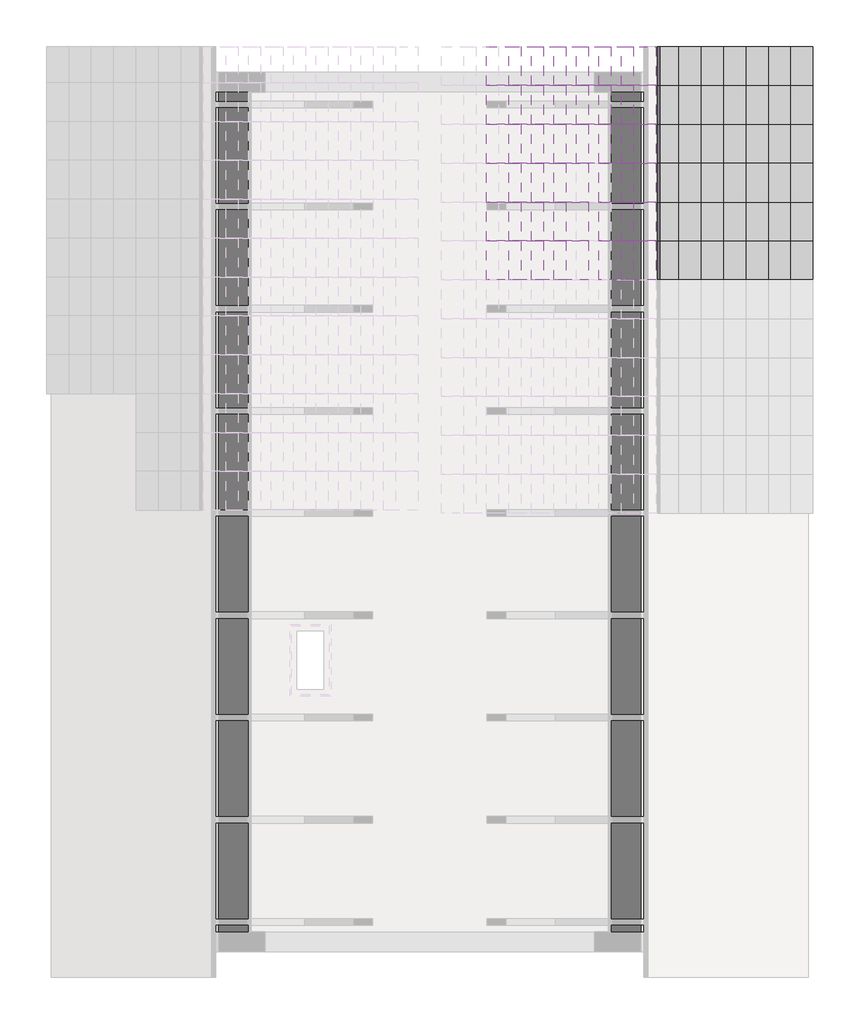
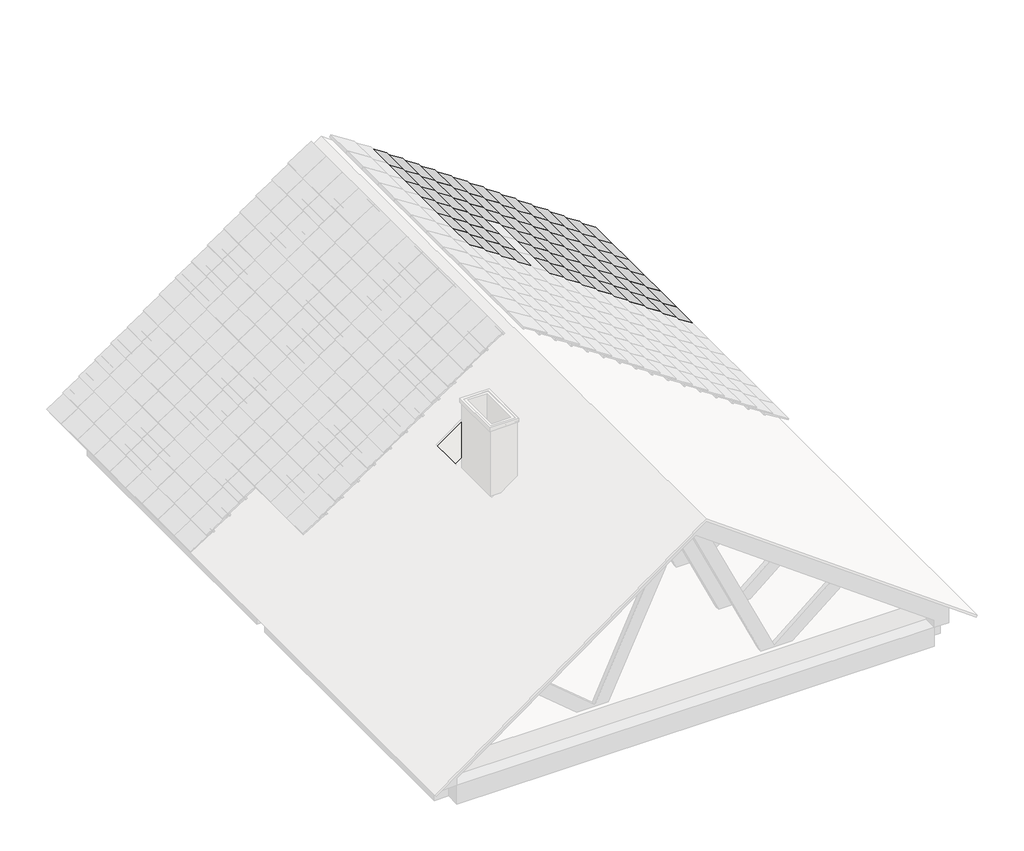
# One storey, part 6 of 9: 81 plates, 1 roof.
"""IFC4 building model written with IfcOpenShell, lengths in millimetres."""

import ifcopenshell
import ifcopenshell.guid

model = None  # the IFC model being written
_history = None  # IfcOwnerHistory: only IFC2X3 demands one
_inside = {}  # id of a spatial element -> (the spatial element, [elements in it])
_under = {}  # id of a project, library or spatial element -> (it, [spatial elements below it])
_declared = {}  # id of a project -> (the project, [libraries it declares])
_typed = {}  # id of a type object -> (the type object, [elements of that type])
_made_of = {}  # id of a material, layer set ... -> (it, [elements and type objects made of it])


def new_model(schema):
    """Start an empty IFC model of exactly this schema.

    Asked for "IFC4X3", IfcOpenShell would pick the latest addendum, in which some entities
    have other attributes; the version numbers below select the first issue.
    IFC2X3 requires an IfcOwnerHistory on every rooted entity: one is made here for all.
    """
    global model, _history
    if schema == "IFC4X3":
        model = ifcopenshell.file(schema_version=(4, 3, 0, 0))
    else:
        model = ifcopenshell.file(schema=schema)
    _inside.clear()
    _under.clear()
    _declared.clear()
    _typed.clear()
    _made_of.clear()
    _history = None
    if model.schema == "IFC2X3":
        org = make("IfcOrganization", Name="unknown")
        user = make(
            "IfcPersonAndOrganization",
            ThePerson=make("IfcPerson", FamilyName="unknown"),
            TheOrganization=org,
        )
        app = make(
            "IfcApplication",
            ApplicationDeveloper=org,
            Version="unknown",
            ApplicationFullName="unknown",
            ApplicationIdentifier="unknown",
        )
        _history = make(
            "IfcOwnerHistory",
            OwningUser=user,
            OwningApplication=app,
            ChangeAction="ADDED",
            CreationDate=0,
        )
    return model


def make(cls, **values):
    """One entity of the class cls with the attributes given. An attribute that is None is left unset."""
    return model.create_entity(
        cls, **{name: value for name, value in values.items() if value is not None}
    )


def rooted(cls, **values):
    """An entity with a GlobalId (a new one), such as an element, a storey or a relation."""
    return make(cls, GlobalId=ifcopenshell.guid.new(), OwnerHistory=_history, **values)


def si_unit(unit_type, name, prefix=None):
    """IfcSIUnit, for example si_unit("LENGTHUNIT", "METRE", prefix="MILLI")."""
    return make("IfcSIUnit", UnitType=unit_type, Prefix=prefix, Name=name)


def assignment(units):
    """IfcUnitAssignment: the units of a project."""
    return None if units is None else make("IfcUnitAssignment", Units=units)


def point(xyz):
    """IfcCartesianPoint."""
    return None if xyz is None else make("IfcCartesianPoint", Coordinates=xyz)


def direction(xyz):
    """IfcDirection."""
    return None if xyz is None else make("IfcDirection", DirectionRatios=xyz)


def frame(location, z_axis=None, x_axis=None):
    """IfcAxis2Placement3D, a coordinate frame: its origin and axes. An axis left out is left unset."""
    return make(
        "IfcAxis2Placement3D",
        Location=point(location),
        Axis=direction(z_axis),
        RefDirection=direction(x_axis),
    )


def origin():
    """The frame at (0, 0, 0) with its axes left unset."""
    return frame((0.0, 0.0, 0.0))


def place(relative_to, where):
    """IfcLocalPlacement: puts the frame where relative to a parent placement (None: the world)."""
    return make(
        "IfcLocalPlacement", PlacementRelTo=relative_to, RelativePlacement=where
    )


def context(
    kind, dimensions, precision=None, world=None, true_north=None, identifier=None
):
    """IfcGeometricRepresentationContext, for example the 3D "Model" context."""
    return make(
        "IfcGeometricRepresentationContext",
        ContextIdentifier=identifier,
        ContextType=kind,
        CoordinateSpaceDimension=dimensions,
        Precision=precision,
        WorldCoordinateSystem=world,
        TrueNorth=true_north,
    )


def project(units=None, contexts=None):
    """IfcProject with its units and contexts."""
    return rooted(
        "IfcProject",
        Name="project",
        RepresentationContexts=contexts,
        UnitsInContext=assignment(units),
    )


def spatial(cls, under=None, at=None, **own):
    """A site, building, storey or space (cls), placed at a placement, below another one or the project."""
    s = rooted(cls, ObjectPlacement=at, **own)
    if under is not None:
        _under.setdefault(under.id(), (under, []))[1].append(s)
    return s


def polyline(points):
    """IfcPolyline through the points."""
    return make("IfcPolyline", Points=[point(p) for p in points])


def outline(outer, holes=None, kind="AREA"):
    """IfcArbitraryClosedProfileDef: a profile drawn as a closed curve; with holes, ...WithVoids."""
    if holes is None:
        return make("IfcArbitraryClosedProfileDef", ProfileType=kind, OuterCurve=outer)
    return make(
        "IfcArbitraryProfileDefWithVoids",
        ProfileType=kind,
        OuterCurve=outer,
        InnerCurves=holes,
    )


def extrude(swept, where, along, depth):
    """IfcExtrudedAreaSolid: the profile swept, set in the frame where, extruded along a direction by depth."""
    return make(
        "IfcExtrudedAreaSolid",
        SweptArea=swept,
        Position=where,
        ExtrudedDirection=direction(along),
        Depth=depth,
    )


def faces_of(points, faces, orient=None, outer=None):
    """IfcFace entities. A face is a list of loops; a loop is a list of indices into points, from 0.

    orient and outer hold one flag for each loop. By default every Orientation is true, the
    first loop of a face is its IfcFaceOuterBound and the others are IfcFaceBound.
    """
    made = []
    for i, loops in enumerate(faces):
        bounds = []
        for j, loop in enumerate(loops):
            is_outer = j == 0 if outer is None else outer[i][j]
            bounds.append(
                make(
                    "IfcFaceOuterBound" if is_outer else "IfcFaceBound",
                    Bound=make("IfcPolyLoop", Polygon=[points[k] for k in loop]),
                    Orientation=True if orient is None else orient[i][j],
                )
            )
        made.append(make("IfcFace", Bounds=bounds))
    return made


def faceted_brep(points, faces, orient=None, outer=None, voids=None):
    """IfcFacetedBrep: a solid bounded by flat faces; with voids (closed shells), ...WithVoids."""
    shared = [point(p) for p in points]
    hull = make("IfcClosedShell", CfsFaces=faces_of(shared, faces, orient, outer))
    if voids is None:
        return make("IfcFacetedBrep", Outer=hull)
    return make(
        "IfcFacetedBrepWithVoids",
        Outer=hull,
        Voids=[
            make(cls, CfsFaces=faces_of(shared, fs, o, b)) for cls, fs, o, b in voids
        ],
    )


def shape(context_of_items, identifier, shape_type, items):
    """IfcShapeRepresentation: the items that make up one representation, for example the "Body"."""
    return make(
        "IfcShapeRepresentation",
        ContextOfItems=context_of_items,
        RepresentationIdentifier=identifier,
        RepresentationType=shape_type,
        Items=items,
    )


def source(mapping_origin, context_of_items, identifier, shape_type, items):
    """IfcRepresentationMap: a shape defined once, which mapped items show again and again."""
    return make(
        "IfcRepresentationMap",
        MappingOrigin=mapping_origin,
        MappedRepresentation=shape(context_of_items, identifier, shape_type, items),
    )


def transform(
    local_origin,
    x_axis=None,
    y_axis=None,
    z_axis=None,
    scale=None,
    scale2=None,
    scale3=None,
    uniform=True,
):
    """IfcCartesianTransformationOperator3D, or its non-uniform kind. x_axis, y_axis, z_axis: its Axis1, 2, 3."""
    if uniform:
        return make(
            "IfcCartesianTransformationOperator3D",
            Axis1=direction(x_axis),
            Axis2=direction(y_axis),
            LocalOrigin=point(local_origin),
            Scale=scale,
            Axis3=direction(z_axis),
        )
    return make(
        "IfcCartesianTransformationOperator3DnonUniform",
        Axis1=direction(x_axis),
        Axis2=direction(y_axis),
        LocalOrigin=point(local_origin),
        Scale=scale,
        Axis3=direction(z_axis),
        Scale2=scale2,
        Scale3=scale3,
    )


def mapped(mapping_source, mapping_target):
    """IfcMappedItem: shows the shape of a source again, moved by a transform."""
    return make(
        "IfcMappedItem", MappingSource=mapping_source, MappingTarget=mapping_target
    )


def made_of(thing, what):
    """Note that an element or type object is made of a material, layer set ...; save() writes the relation."""
    if what is not None:
        _made_of.setdefault(what.id(), (what, []))[1].append(thing)
    return thing


def element(
    cls,
    number,
    at=None,
    inside=None,
    cuts=None,
    type_object=None,
    material=None,
    context=None,
    identifier="Body",
    shape_type=None,
    held_by="IfcProductDefinitionShape",
    body=None,
    shapes=None,
    **own,
):
    """One element of the class cls, such as IfcWall. Its Tag is "e" and its number.

    at: its placement. inside: the storey or other place that contains it. cuts: it is an
    opening in that element (IfcRelVoidsElement). A single representation is given by context,
    identifier, shape_type and body (its items); several are given by shapes. held_by: the class
    of the entity that holds the representations. save() writes the other relations.
    """
    e = rooted(cls, Tag="e%d" % number, ObjectPlacement=at, **own)
    if body is not None:
        shapes = [shape(context, identifier, shape_type, body)]
    if shapes is not None:
        e.Representation = make(held_by, Representations=shapes)
    if inside is not None:
        _inside.setdefault(inside.id(), (inside, []))[1].append(e)
    if cuts is not None:
        rooted(
            "IfcRelVoidsElement", RelatingBuildingElement=cuts, RelatedOpeningElement=e
        )
    if type_object is not None:
        _typed.setdefault(type_object.id(), (type_object, []))[1].append(e)
    return made_of(e, material)


def aggregate(whole, parts):
    """IfcRelAggregates: a whole, such as a stair, and the parts it consists of."""
    return rooted("IfcRelAggregates", RelatingObject=whole, RelatedObjects=parts)


def save(model, path):
    """Write the relations noted so far, then the file.

    IfcRelAggregates (storeys below a building ...), IfcRelContainedInSpatialStructure (elements
    in a storey), IfcRelDefinesByType, IfcRelAssociatesMaterial and IfcRelDeclares: one each for
    every whole, place, type object, material and project.
    """
    for whole, parts in _under.values():
        aggregate(whole, parts)
    for where, things in _inside.values():
        rooted(
            "IfcRelContainedInSpatialStructure",
            RelatedElements=things,
            RelatingStructure=where,
        )
    for kind, things in _typed.values():
        rooted("IfcRelDefinesByType", RelatedObjects=things, RelatingType=kind)
    for what, things in _made_of.values():
        rooted("IfcRelAssociatesMaterial", RelatedObjects=things, RelatingMaterial=what)
    for by, libraries in _declared.values():
        rooted("IfcRelDeclares", RelatingContext=by, RelatedDefinitions=libraries)
    model.write(path)


def plate_44e98f8a(model_context):
    return source(origin(), model_context, "Body", "SweptSolid", [
        extrude(outline(polyline([(52.4025306, -97.3528102), (37.4334594, -98.3155697), (16.2527506, 231.0039976), (1.2836793, 230.0412381), (0.0, 250.0), (29.9381425, 251.925519), (52.4025306, -97.3528102)])), frame((-175.0000002, 0.0, 0.0), z_axis=(1.0, 0.0, 0.0), x_axis=(0.0, 1.0, 0.0)), (0.0, 0.0, 1.0), 350.0000003),
    ])


def plate_17751ebe(model_context):
    return source(origin(), model_context, "Body", "SweptSolid", [
        extrude(outline(polyline([(52.4025306, -222.3528102), (37.4334594, -223.3155697), (16.2527506, 106.0039976), (1.2836793, 105.0412381), (0.0, 125.0), (29.9381425, 126.925519), (52.4025306, -222.3528102)])), frame((-175.0000002, 0.0, 0.0), z_axis=(1.0, 0.0, 0.0), x_axis=(0.0, 1.0, 0.0)), (0.0, 0.0, 1.0), 350.0000003),
    ])


model = new_model("IFC4")

# Units and contexts
model_context = context("Model", 3, world=origin())
ifc_project = project(units=[si_unit("LENGTHUNIT", "METRE", prefix="MILLI")], contexts=[model_context])

# Site, building, storey
site = spatial("IfcSite", under=ifc_project)
building = spatial("IfcBuilding", under=site)
storey = spatial("IfcBuildingStorey", under=building, Elevation=5669.9999999)

# Plates
placement = place(None, origin())
plate_shape = plate_44e98f8a(model_context)
element("IfcPlate", 1, at=placement, inside=storey, context=model_context, shape_type="MappedRepresentation", body=[
    mapped(plate_shape, transform((2482.3217872, 3905.2847628, 6049.250816), x_axis=(0.0, -1.0, 0.0), y_axis=(0.5877852522924699, 0.0, 0.8090169943749498), z_axis=(-0.8090169943749498, 0.0, 0.5877852522924699))),
])
element("IfcPlate", 2, at=placement, inside=storey, context=model_context, shape_type="MappedRepresentation", body=[
    mapped(plate_shape, transform((2482.3217872, 3555.2847627, 6049.250816), x_axis=(0.0, -1.0, 0.0), y_axis=(0.5877852522924699, 0.0, 0.8090169943749498), z_axis=(-0.8090169943749498, 0.0, 0.5877852522924699))),
])
element("IfcPlate", 3, at=placement, inside=storey, context=model_context, shape_type="MappedRepresentation", body=[
    mapped(plate_shape, transform((2482.3217872, 3205.2847627, 6049.250816), x_axis=(0.0, -1.0, 0.0), y_axis=(0.5877852522924699, 0.0, 0.8090169943749498), z_axis=(-0.8090169943749498, 0.0, 0.5877852522924699))),
])
element("IfcPlate", 4, at=placement, inside=storey, context=model_context, shape_type="MappedRepresentation", body=[
    mapped(plate_shape, transform((2482.3217872, 2855.2847627, 6049.250816), x_axis=(0.0, -1.0, 0.0), y_axis=(0.5877852522924699, 0.0, 0.8090169943749498), z_axis=(-0.8090169943749498, 0.0, 0.5877852522924699))),
])
element("IfcPlate", 5, at=placement, inside=storey, context=model_context, shape_type="MappedRepresentation", body=[
    mapped(plate_shape, transform((2482.3217872, 2505.2847627, 6049.250816), x_axis=(0.0, -1.0, 0.0), y_axis=(0.5877852522924699, 0.0, 0.8090169943749498), z_axis=(-0.8090169943749498, 0.0, 0.5877852522924699))),
])
element("IfcPlate", 6, at=placement, inside=storey, context=model_context, shape_type="MappedRepresentation", body=[
    mapped(plate_shape, transform((2482.3217872, 2155.2847627, 6049.250816), x_axis=(0.0, -1.0, 0.0), y_axis=(0.5877852522924699, 0.0, 0.8090169943749498), z_axis=(-0.8090169943749498, 0.0, 0.5877852522924699))),
])
element("IfcPlate", 7, at=placement, inside=storey, context=model_context, shape_type="MappedRepresentation", body=[
    mapped(plate_shape, transform((2280.0675386, 3905.2847628, 6196.1971291), x_axis=(0.0, -1.0, 0.0), y_axis=(0.5877852522924699, 0.0, 0.8090169943749498), z_axis=(-0.8090169943749498, 0.0, 0.5877852522924699))),
])
element("IfcPlate", 8, at=placement, inside=storey, context=model_context, shape_type="MappedRepresentation", body=[
    mapped(plate_shape, transform((2280.0675386, 3555.2847627, 6196.1971291), x_axis=(0.0, -1.0, 0.0), y_axis=(0.5877852522924699, 0.0, 0.8090169943749498), z_axis=(-0.8090169943749498, 0.0, 0.5877852522924699))),
])
element("IfcPlate", 9, at=placement, inside=storey, context=model_context, shape_type="MappedRepresentation", body=[
    mapped(plate_shape, transform((2280.0675386, 3205.2847627, 6196.1971291), x_axis=(0.0, -1.0, 0.0), y_axis=(0.5877852522924699, 0.0, 0.8090169943749498), z_axis=(-0.8090169943749498, 0.0, 0.5877852522924699))),
])
element("IfcPlate", 10, at=placement, inside=storey, context=model_context, shape_type="MappedRepresentation", body=[
    mapped(plate_shape, transform((2280.0675386, 2855.2847627, 6196.1971291), x_axis=(0.0, -1.0, 0.0), y_axis=(0.5877852522924699, 0.0, 0.8090169943749498), z_axis=(-0.8090169943749498, 0.0, 0.5877852522924699))),
])
element("IfcPlate", 11, at=placement, inside=storey, context=model_context, shape_type="MappedRepresentation", body=[
    mapped(plate_shape, transform((2280.0675386, 2505.2847627, 6196.1971291), x_axis=(0.0, -1.0, 0.0), y_axis=(0.5877852522924699, 0.0, 0.8090169943749498), z_axis=(-0.8090169943749498, 0.0, 0.5877852522924699))),
])
element("IfcPlate", 12, at=placement, inside=storey, context=model_context, shape_type="MappedRepresentation", body=[
    mapped(plate_shape, transform((2280.0675386, 2155.2847627, 6196.1971291), x_axis=(0.0, -1.0, 0.0), y_axis=(0.5877852522924699, 0.0, 0.8090169943749498), z_axis=(-0.8090169943749498, 0.0, 0.5877852522924699))),
])
element("IfcPlate", 13, at=placement, inside=storey, context=model_context, shape_type="MappedRepresentation", body=[
    mapped(plate_shape, transform((2077.81329, 3905.2847628, 6343.1434422), x_axis=(0.0, -1.0, 0.0), y_axis=(0.5877852522924699, 0.0, 0.8090169943749498), z_axis=(-0.8090169943749498, 0.0, 0.5877852522924699))),
])
element("IfcPlate", 14, at=placement, inside=storey, context=model_context, shape_type="MappedRepresentation", body=[
    mapped(plate_shape, transform((2077.81329, 3555.2847627, 6343.1434422), x_axis=(0.0, -1.0, 0.0), y_axis=(0.5877852522924699, 0.0, 0.8090169943749498), z_axis=(-0.8090169943749498, 0.0, 0.5877852522924699))),
])
element("IfcPlate", 15, at=placement, inside=storey, context=model_context, shape_type="MappedRepresentation", body=[
    mapped(plate_shape, transform((2077.81329, 3205.2847627, 6343.1434422), x_axis=(0.0, -1.0, 0.0), y_axis=(0.5877852522924699, 0.0, 0.8090169943749498), z_axis=(-0.8090169943749498, 0.0, 0.5877852522924699))),
])
element("IfcPlate", 16, at=placement, inside=storey, context=model_context, shape_type="MappedRepresentation", body=[
    mapped(plate_shape, transform((2077.81329, 2855.2847627, 6343.1434422), x_axis=(0.0, -1.0, 0.0), y_axis=(0.5877852522924699, 0.0, 0.8090169943749498), z_axis=(-0.8090169943749498, 0.0, 0.5877852522924699))),
])
element("IfcPlate", 17, at=placement, inside=storey, context=model_context, shape_type="MappedRepresentation", body=[
    mapped(plate_shape, transform((2077.81329, 2505.2847627, 6343.1434422), x_axis=(0.0, -1.0, 0.0), y_axis=(0.5877852522924699, 0.0, 0.8090169943749498), z_axis=(-0.8090169943749498, 0.0, 0.5877852522924699))),
])
element("IfcPlate", 18, at=placement, inside=storey, context=model_context, shape_type="MappedRepresentation", body=[
    mapped(plate_shape, transform((2077.81329, 2155.2847627, 6343.1434422), x_axis=(0.0, -1.0, 0.0), y_axis=(0.5877852522924699, 0.0, 0.8090169943749498), z_axis=(-0.8090169943749498, 0.0, 0.5877852522924699))),
])
element("IfcPlate", 19, at=placement, inside=storey, context=model_context, shape_type="MappedRepresentation", body=[
    mapped(plate_shape, transform((1875.5590414, 3905.2847628, 6490.0897552), x_axis=(0.0, -1.0, 0.0), y_axis=(0.5877852522924699, 0.0, 0.8090169943749498), z_axis=(-0.8090169943749498, 0.0, 0.5877852522924699))),
])
element("IfcPlate", 20, at=placement, inside=storey, context=model_context, shape_type="MappedRepresentation", body=[
    mapped(plate_shape, transform((1875.5590414, 3555.2847627, 6490.0897552), x_axis=(0.0, -1.0, 0.0), y_axis=(0.5877852522924699, 0.0, 0.8090169943749498), z_axis=(-0.8090169943749498, 0.0, 0.5877852522924699))),
])
element("IfcPlate", 21, at=placement, inside=storey, context=model_context, shape_type="MappedRepresentation", body=[
    mapped(plate_shape, transform((1875.5590414, 3205.2847627, 6490.0897552), x_axis=(0.0, -1.0, 0.0), y_axis=(0.5877852522924699, 0.0, 0.8090169943749498), z_axis=(-0.8090169943749498, 0.0, 0.5877852522924699))),
])
element("IfcPlate", 22, at=placement, inside=storey, context=model_context, shape_type="MappedRepresentation", body=[
    mapped(plate_shape, transform((1875.5590414, 2855.2847627, 6490.0897552), x_axis=(0.0, -1.0, 0.0), y_axis=(0.5877852522924699, 0.0, 0.8090169943749498), z_axis=(-0.8090169943749498, 0.0, 0.5877852522924699))),
])
element("IfcPlate", 23, at=placement, inside=storey, context=model_context, shape_type="MappedRepresentation", body=[
    mapped(plate_shape, transform((1875.5590414, 2505.2847627, 6490.0897552), x_axis=(0.0, -1.0, 0.0), y_axis=(0.5877852522924699, 0.0, 0.8090169943749498), z_axis=(-0.8090169943749498, 0.0, 0.5877852522924699))),
])
element("IfcPlate", 24, at=placement, inside=storey, context=model_context, shape_type="MappedRepresentation", body=[
    mapped(plate_shape, transform((1875.5590414, 2155.2847627, 6490.0897552), x_axis=(0.0, -1.0, 0.0), y_axis=(0.5877852522924699, 0.0, 0.8090169943749498), z_axis=(-0.8090169943749498, 0.0, 0.5877852522924699))),
])
element("IfcPlate", 25, at=placement, inside=storey, context=model_context, shape_type="MappedRepresentation", body=[
    mapped(plate_shape, transform((1673.3047928, 3905.2847628, 6637.0360683), x_axis=(0.0, -1.0, 0.0), y_axis=(0.5877852522924699, 0.0, 0.8090169943749498), z_axis=(-0.8090169943749498, 0.0, 0.5877852522924699))),
])
element("IfcPlate", 26, at=placement, inside=storey, context=model_context, shape_type="MappedRepresentation", body=[
    mapped(plate_shape, transform((1673.3047928, 3555.2847627, 6637.0360683), x_axis=(0.0, -1.0, 0.0), y_axis=(0.5877852522924699, 0.0, 0.8090169943749498), z_axis=(-0.8090169943749498, 0.0, 0.5877852522924699))),
])
element("IfcPlate", 27, at=placement, inside=storey, context=model_context, shape_type="MappedRepresentation", body=[
    mapped(plate_shape, transform((1673.3047928, 3205.2847627, 6637.0360683), x_axis=(0.0, -1.0, 0.0), y_axis=(0.5877852522924699, 0.0, 0.8090169943749498), z_axis=(-0.8090169943749498, 0.0, 0.5877852522924699))),
])
element("IfcPlate", 28, at=placement, inside=storey, context=model_context, shape_type="MappedRepresentation", body=[
    mapped(plate_shape, transform((1673.3047928, 2855.2847627, 6637.0360683), x_axis=(0.0, -1.0, 0.0), y_axis=(0.5877852522924699, 0.0, 0.8090169943749498), z_axis=(-0.8090169943749498, 0.0, 0.5877852522924699))),
])
element("IfcPlate", 29, at=placement, inside=storey, context=model_context, shape_type="MappedRepresentation", body=[
    mapped(plate_shape, transform((1673.3047928, 2505.2847627, 6637.0360683), x_axis=(0.0, -1.0, 0.0), y_axis=(0.5877852522924699, 0.0, 0.8090169943749498), z_axis=(-0.8090169943749498, 0.0, 0.5877852522924699))),
])
element("IfcPlate", 30, at=placement, inside=storey, context=model_context, shape_type="MappedRepresentation", body=[
    mapped(plate_shape, transform((1673.3047928, 2155.2847627, 6637.0360683), x_axis=(0.0, -1.0, 0.0), y_axis=(0.5877852522924699, 0.0, 0.8090169943749498), z_axis=(-0.8090169943749498, 0.0, 0.5877852522924699))),
])
element("IfcPlate", 31, at=placement, inside=storey, context=model_context, shape_type="MappedRepresentation", body=[
    mapped(plate_shape, transform((1471.0505442, 3905.2847628, 6783.9823814), x_axis=(0.0, -1.0, 0.0), y_axis=(0.5877852522924699, 0.0, 0.8090169943749498), z_axis=(-0.8090169943749498, 0.0, 0.5877852522924699))),
])
element("IfcPlate", 32, at=placement, inside=storey, context=model_context, shape_type="MappedRepresentation", body=[
    mapped(plate_shape, transform((1471.0505442, 3555.2847627, 6783.9823814), x_axis=(0.0, -1.0, 0.0), y_axis=(0.5877852522924699, 0.0, 0.8090169943749498), z_axis=(-0.8090169943749498, 0.0, 0.5877852522924699))),
])
element("IfcPlate", 33, at=placement, inside=storey, context=model_context, shape_type="MappedRepresentation", body=[
    mapped(plate_shape, transform((1471.0505442, 3205.2847627, 6783.9823814), x_axis=(0.0, -1.0, 0.0), y_axis=(0.5877852522924699, 0.0, 0.8090169943749498), z_axis=(-0.8090169943749498, 0.0, 0.5877852522924699))),
])
element("IfcPlate", 34, at=placement, inside=storey, context=model_context, shape_type="MappedRepresentation", body=[
    mapped(plate_shape, transform((1471.0505442, 2855.2847627, 6783.9823814), x_axis=(0.0, -1.0, 0.0), y_axis=(0.5877852522924699, 0.0, 0.8090169943749498), z_axis=(-0.8090169943749498, 0.0, 0.5877852522924699))),
])
element("IfcPlate", 35, at=placement, inside=storey, context=model_context, shape_type="MappedRepresentation", body=[
    mapped(plate_shape, transform((1471.0505442, 2505.2847627, 6783.9823814), x_axis=(0.0, -1.0, 0.0), y_axis=(0.5877852522924699, 0.0, 0.8090169943749498), z_axis=(-0.8090169943749498, 0.0, 0.5877852522924699))),
])
element("IfcPlate", 36, at=placement, inside=storey, context=model_context, shape_type="MappedRepresentation", body=[
    mapped(plate_shape, transform((1471.0505442, 2155.2847627, 6783.9823814), x_axis=(0.0, -1.0, 0.0), y_axis=(0.5877852522924699, 0.0, 0.8090169943749498), z_axis=(-0.8090169943749498, 0.0, 0.5877852522924699))),
])
element("IfcPlate", 37, at=placement, inside=storey, context=model_context, shape_type="MappedRepresentation", body=[
    mapped(plate_shape, transform((1268.7962956, 3905.2847628, 6930.9286944), x_axis=(0.0, -1.0, 0.0), y_axis=(0.5877852522924699, 0.0, 0.8090169943749498), z_axis=(-0.8090169943749498, 0.0, 0.5877852522924699))),
])
element("IfcPlate", 38, at=placement, inside=storey, context=model_context, shape_type="MappedRepresentation", body=[
    mapped(plate_shape, transform((1268.7962956, 3555.2847627, 6930.9286944), x_axis=(0.0, -1.0, 0.0), y_axis=(0.5877852522924699, 0.0, 0.8090169943749498), z_axis=(-0.8090169943749498, 0.0, 0.5877852522924699))),
])
element("IfcPlate", 39, at=placement, inside=storey, context=model_context, shape_type="MappedRepresentation", body=[
    mapped(plate_shape, transform((1268.7962956, 3205.2847627, 6930.9286944), x_axis=(0.0, -1.0, 0.0), y_axis=(0.5877852522924699, 0.0, 0.8090169943749498), z_axis=(-0.8090169943749498, 0.0, 0.5877852522924699))),
])
element("IfcPlate", 40, at=placement, inside=storey, context=model_context, shape_type="MappedRepresentation", body=[
    mapped(plate_shape, transform((1268.7962956, 2855.2847627, 6930.9286944), x_axis=(0.0, -1.0, 0.0), y_axis=(0.5877852522924699, 0.0, 0.8090169943749498), z_axis=(-0.8090169943749498, 0.0, 0.5877852522924699))),
])
element("IfcPlate", 41, at=placement, inside=storey, context=model_context, shape_type="MappedRepresentation", body=[
    mapped(plate_shape, transform((1268.7962956, 2505.2847627, 6930.9286944), x_axis=(0.0, -1.0, 0.0), y_axis=(0.5877852522924699, 0.0, 0.8090169943749498), z_axis=(-0.8090169943749498, 0.0, 0.5877852522924699))),
])
element("IfcPlate", 42, at=placement, inside=storey, context=model_context, shape_type="MappedRepresentation", body=[
    mapped(plate_shape, transform((1268.7962956, 2155.2847627, 6930.9286944), x_axis=(0.0, -1.0, 0.0), y_axis=(0.5877852522924699, 0.0, 0.8090169943749498), z_axis=(-0.8090169943749498, 0.0, 0.5877852522924699))),
])
element("IfcPlate", 43, at=placement, inside=storey, context=model_context, shape_type="MappedRepresentation", body=[
    mapped(plate_shape, transform((1066.542047, 3905.2847628, 7077.8750075), x_axis=(0.0, -1.0, 0.0), y_axis=(0.5877852522924699, 0.0, 0.8090169943749498), z_axis=(-0.8090169943749498, 0.0, 0.5877852522924699))),
])
element("IfcPlate", 44, at=placement, inside=storey, context=model_context, shape_type="MappedRepresentation", body=[
    mapped(plate_shape, transform((1066.542047, 3555.2847627, 7077.8750075), x_axis=(0.0, -1.0, 0.0), y_axis=(0.5877852522924699, 0.0, 0.8090169943749498), z_axis=(-0.8090169943749498, 0.0, 0.5877852522924699))),
])
element("IfcPlate", 45, at=placement, inside=storey, context=model_context, shape_type="MappedRepresentation", body=[
    mapped(plate_shape, transform((1066.542047, 3205.2847627, 7077.8750075), x_axis=(0.0, -1.0, 0.0), y_axis=(0.5877852522924699, 0.0, 0.8090169943749498), z_axis=(-0.8090169943749498, 0.0, 0.5877852522924699))),
])
element("IfcPlate", 46, at=placement, inside=storey, context=model_context, shape_type="MappedRepresentation", body=[
    mapped(plate_shape, transform((1066.542047, 2855.2847627, 7077.8750075), x_axis=(0.0, -1.0, 0.0), y_axis=(0.5877852522924699, 0.0, 0.8090169943749498), z_axis=(-0.8090169943749498, 0.0, 0.5877852522924699))),
])
element("IfcPlate", 47, at=placement, inside=storey, context=model_context, shape_type="MappedRepresentation", body=[
    mapped(plate_shape, transform((1066.542047, 2505.2847627, 7077.8750075), x_axis=(0.0, -1.0, 0.0), y_axis=(0.5877852522924699, 0.0, 0.8090169943749498), z_axis=(-0.8090169943749498, 0.0, 0.5877852522924699))),
])
element("IfcPlate", 48, at=placement, inside=storey, context=model_context, shape_type="MappedRepresentation", body=[
    mapped(plate_shape, transform((1066.542047, 2155.2847627, 7077.8750075), x_axis=(0.0, -1.0, 0.0), y_axis=(0.5877852522924699, 0.0, 0.8090169943749498), z_axis=(-0.8090169943749498, 0.0, 0.5877852522924699))),
])
element("IfcPlate", 49, at=placement, inside=storey, context=model_context, shape_type="MappedRepresentation", body=[
    mapped(plate_shape, transform((864.2877985, 3905.2847628, 7224.8213206), x_axis=(0.0, -1.0, 0.0), y_axis=(0.5877852522924699, 0.0, 0.8090169943749498), z_axis=(-0.8090169943749498, 0.0, 0.5877852522924699))),
])
element("IfcPlate", 50, at=placement, inside=storey, context=model_context, shape_type="MappedRepresentation", body=[
    mapped(plate_shape, transform((864.2877985, 3555.2847627, 7224.8213206), x_axis=(0.0, -1.0, 0.0), y_axis=(0.5877852522924699, 0.0, 0.8090169943749498), z_axis=(-0.8090169943749498, 0.0, 0.5877852522924699))),
])
element("IfcPlate", 51, at=placement, inside=storey, context=model_context, shape_type="MappedRepresentation", body=[
    mapped(plate_shape, transform((864.2877985, 3205.2847627, 7224.8213206), x_axis=(0.0, -1.0, 0.0), y_axis=(0.5877852522924699, 0.0, 0.8090169943749498), z_axis=(-0.8090169943749498, 0.0, 0.5877852522924699))),
])
element("IfcPlate", 52, at=placement, inside=storey, context=model_context, shape_type="MappedRepresentation", body=[
    mapped(plate_shape, transform((662.0335499, 3905.2847628, 7371.7676337), x_axis=(0.0, -1.0, 0.0), y_axis=(0.5877852522924699, 0.0, 0.8090169943749498), z_axis=(-0.8090169943749498, 0.0, 0.5877852522924699))),
])
element("IfcPlate", 53, at=placement, inside=storey, context=model_context, shape_type="MappedRepresentation", body=[
    mapped(plate_shape, transform((662.0335499, 3555.2847627, 7371.7676337), x_axis=(0.0, -1.0, 0.0), y_axis=(0.5877852522924699, 0.0, 0.8090169943749498), z_axis=(-0.8090169943749498, 0.0, 0.5877852522924699))),
])
element("IfcPlate", 54, at=placement, inside=storey, context=model_context, shape_type="MappedRepresentation", body=[
    mapped(plate_shape, transform((662.0335499, 3205.2847627, 7371.7676337), x_axis=(0.0, -1.0, 0.0), y_axis=(0.5877852522924699, 0.0, 0.8090169943749498), z_axis=(-0.8090169943749498, 0.0, 0.5877852522924699))),
])
element("IfcPlate", 55, at=placement, inside=storey, context=model_context, shape_type="MappedRepresentation", body=[
    mapped(plate_shape, transform((662.0335499, 2855.2847627, 7371.7676337), x_axis=(0.0, -1.0, 0.0), y_axis=(0.5877852522924699, 0.0, 0.8090169943749498), z_axis=(-0.8090169943749498, 0.0, 0.5877852522924699))),
])
element("IfcPlate", 56, at=placement, inside=storey, context=model_context, shape_type="MappedRepresentation", body=[
    mapped(plate_shape, transform((662.0335499, 2505.2847627, 7371.7676337), x_axis=(0.0, -1.0, 0.0), y_axis=(0.5877852522924699, 0.0, 0.8090169943749498), z_axis=(-0.8090169943749498, 0.0, 0.5877852522924699))),
])
element("IfcPlate", 57, at=placement, inside=storey, context=model_context, shape_type="MappedRepresentation", body=[
    mapped(plate_shape, transform((662.0335499, 2155.2847627, 7371.7676337), x_axis=(0.0, -1.0, 0.0), y_axis=(0.5877852522924699, 0.0, 0.8090169943749498), z_axis=(-0.8090169943749498, 0.0, 0.5877852522924699))),
])
element("IfcPlate", 58, at=placement, inside=storey, context=model_context, shape_type="MappedRepresentation", body=[
    mapped(plate_shape, transform((459.7793013, 3905.2847628, 7518.7139467), x_axis=(0.0, -1.0, 0.0), y_axis=(0.5877852522924699, 0.0, 0.8090169943749498), z_axis=(-0.8090169943749498, 0.0, 0.5877852522924699))),
])
element("IfcPlate", 59, at=placement, inside=storey, context=model_context, shape_type="MappedRepresentation", body=[
    mapped(plate_shape, transform((459.7793013, 3555.2847627, 7518.7139467), x_axis=(0.0, -1.0, 0.0), y_axis=(0.5877852522924699, 0.0, 0.8090169943749498), z_axis=(-0.8090169943749498, 0.0, 0.5877852522924699))),
])
element("IfcPlate", 60, at=placement, inside=storey, context=model_context, shape_type="MappedRepresentation", body=[
    mapped(plate_shape, transform((459.7793013, 3205.2847627, 7518.7139467), x_axis=(0.0, -1.0, 0.0), y_axis=(0.5877852522924699, 0.0, 0.8090169943749498), z_axis=(-0.8090169943749498, 0.0, 0.5877852522924699))),
])
element("IfcPlate", 61, at=placement, inside=storey, context=model_context, shape_type="MappedRepresentation", body=[
    mapped(plate_shape, transform((459.7793013, 2855.2847627, 7518.7139467), x_axis=(0.0, -1.0, 0.0), y_axis=(0.5877852522924699, 0.0, 0.8090169943749498), z_axis=(-0.8090169943749498, 0.0, 0.5877852522924699))),
])
element("IfcPlate", 62, at=placement, inside=storey, context=model_context, shape_type="MappedRepresentation", body=[
    mapped(plate_shape, transform((459.7793013, 2505.2847627, 7518.7139467), x_axis=(0.0, -1.0, 0.0), y_axis=(0.5877852522924699, 0.0, 0.8090169943749498), z_axis=(-0.8090169943749498, 0.0, 0.5877852522924699))),
])
element("IfcPlate", 63, at=placement, inside=storey, context=model_context, shape_type="MappedRepresentation", body=[
    mapped(plate_shape, transform((459.7793013, 2155.2847627, 7518.7139467), x_axis=(0.0, -1.0, 0.0), y_axis=(0.5877852522924699, 0.0, 0.8090169943749498), z_axis=(-0.8090169943749498, 0.0, 0.5877852522924699))),
])
element("IfcPlate", 64, at=placement, inside=storey, context=model_context, shape_type="MappedRepresentation", body=[
    mapped(plate_shape, transform((257.5250527, 3905.2847628, 7665.6602598), x_axis=(0.0, -1.0, 0.0), y_axis=(0.5877852522924699, 0.0, 0.8090169943749498), z_axis=(-0.8090169943749498, 0.0, 0.5877852522924699))),
])
element("IfcPlate", 65, at=placement, inside=storey, context=model_context, shape_type="MappedRepresentation", body=[
    mapped(plate_shape, transform((257.5250527, 3555.2847627, 7665.6602598), x_axis=(0.0, -1.0, 0.0), y_axis=(0.5877852522924699, 0.0, 0.8090169943749498), z_axis=(-0.8090169943749498, 0.0, 0.5877852522924699))),
])
element("IfcPlate", 66, at=placement, inside=storey, context=model_context, shape_type="MappedRepresentation", body=[
    mapped(plate_shape, transform((257.5250527, 3205.2847627, 7665.6602598), x_axis=(0.0, -1.0, 0.0), y_axis=(0.5877852522924699, 0.0, 0.8090169943749498), z_axis=(-0.8090169943749498, 0.0, 0.5877852522924699))),
])
element("IfcPlate", 67, at=placement, inside=storey, context=model_context, shape_type="MappedRepresentation", body=[
    mapped(plate_shape, transform((257.5250527, 2855.2847627, 7665.6602598), x_axis=(0.0, -1.0, 0.0), y_axis=(0.5877852522924699, 0.0, 0.8090169943749498), z_axis=(-0.8090169943749498, 0.0, 0.5877852522924699))),
])
element("IfcPlate", 68, at=placement, inside=storey, context=model_context, shape_type="MappedRepresentation", body=[
    mapped(plate_shape, transform((257.5250527, 2505.2847627, 7665.6602598), x_axis=(0.0, -1.0, 0.0), y_axis=(0.5877852522924699, 0.0, 0.8090169943749498), z_axis=(-0.8090169943749498, 0.0, 0.5877852522924699))),
])
element("IfcPlate", 69, at=placement, inside=storey, context=model_context, shape_type="MappedRepresentation", body=[
    mapped(plate_shape, transform((257.5250527, 2155.2847627, 7665.6602598), x_axis=(0.0, -1.0, 0.0), y_axis=(0.5877852522924699, 0.0, 0.8090169943749498), z_axis=(-0.8090169943749498, 0.0, 0.5877852522924699))),
])
element("IfcPlate", 70, at=placement, inside=storey, context=model_context, shape_type="MappedRepresentation", body=[
    mapped(plate_shape, transform((55.2708041, 3905.2847628, 7812.6065729), x_axis=(0.0, -1.0, 0.0), y_axis=(0.5877852522924699, 0.0, 0.8090169943749498), z_axis=(-0.8090169943749498, 0.0, 0.5877852522924699))),
])
element("IfcPlate", 71, at=placement, inside=storey, context=model_context, shape_type="MappedRepresentation", body=[
    mapped(plate_shape, transform((55.2708041, 3555.2847627, 7812.6065729), x_axis=(0.0, -1.0, 0.0), y_axis=(0.5877852522924699, 0.0, 0.8090169943749498), z_axis=(-0.8090169943749498, 0.0, 0.5877852522924699))),
])
element("IfcPlate", 72, at=placement, inside=storey, context=model_context, shape_type="MappedRepresentation", body=[
    mapped(plate_shape, transform((55.2708041, 3205.2847627, 7812.6065729), x_axis=(0.0, -1.0, 0.0), y_axis=(0.5877852522924699, 0.0, 0.8090169943749498), z_axis=(-0.8090169943749498, 0.0, 0.5877852522924699))),
])
element("IfcPlate", 73, at=placement, inside=storey, context=model_context, shape_type="MappedRepresentation", body=[
    mapped(plate_shape, transform((55.2708041, 2855.2847627, 7812.6065729), x_axis=(0.0, -1.0, 0.0), y_axis=(0.5877852522924699, 0.0, 0.8090169943749498), z_axis=(-0.8090169943749498, 0.0, 0.5877852522924699))),
])
element("IfcPlate", 74, at=placement, inside=storey, context=model_context, shape_type="MappedRepresentation", body=[
    mapped(plate_shape, transform((55.2708041, 2505.2847627, 7812.6065729), x_axis=(0.0, -1.0, 0.0), y_axis=(0.5877852522924699, 0.0, 0.8090169943749498), z_axis=(-0.8090169943749498, 0.0, 0.5877852522924699))),
])
element("IfcPlate", 75, at=placement, inside=storey, context=model_context, shape_type="MappedRepresentation", body=[
    mapped(plate_shape, transform((55.2708041, 2155.2847627, 7812.6065729), x_axis=(0.0, -1.0, 0.0), y_axis=(0.5877852522924699, 0.0, 0.8090169943749498), z_axis=(-0.8090169943749498, 0.0, 0.5877852522924699))),
])
plate_2_shape = plate_17751ebe(model_context)
element("IfcPlate", 76, at=placement, inside=storey, context=model_context, shape_type="MappedRepresentation", body=[
    mapped(plate_2_shape, transform((2583.4489115, 3905.2847628, 5975.7776595), x_axis=(0.0, -1.0, 0.0), y_axis=(0.5877852522924699, 0.0, 0.8090169943749498), z_axis=(-0.8090169943749498, 0.0, 0.5877852522924699))),
])
element("IfcPlate", 77, at=placement, inside=storey, context=model_context, shape_type="MappedRepresentation", body=[
    mapped(plate_2_shape, transform((2583.4489115, 3555.2847627, 5975.7776595), x_axis=(0.0, -1.0, 0.0), y_axis=(0.5877852522924699, 0.0, 0.8090169943749498), z_axis=(-0.8090169943749498, 0.0, 0.5877852522924699))),
])
element("IfcPlate", 78, at=placement, inside=storey, context=model_context, shape_type="MappedRepresentation", body=[
    mapped(plate_2_shape, transform((2583.4489115, 3205.2847627, 5975.7776595), x_axis=(0.0, -1.0, 0.0), y_axis=(0.5877852522924699, 0.0, 0.8090169943749498), z_axis=(-0.8090169943749498, 0.0, 0.5877852522924699))),
])
element("IfcPlate", 79, at=placement, inside=storey, context=model_context, shape_type="MappedRepresentation", body=[
    mapped(plate_2_shape, transform((2583.4489115, 2855.2847627, 5975.7776595), x_axis=(0.0, -1.0, 0.0), y_axis=(0.5877852522924699, 0.0, 0.8090169943749498), z_axis=(-0.8090169943749498, 0.0, 0.5877852522924699))),
])
element("IfcPlate", 80, at=placement, inside=storey, context=model_context, shape_type="MappedRepresentation", body=[
    mapped(plate_2_shape, transform((2583.4489115, 2505.2847627, 5975.7776595), x_axis=(0.0, -1.0, 0.0), y_axis=(0.5877852522924699, 0.0, 0.8090169943749498), z_axis=(-0.8090169943749498, 0.0, 0.5877852522924699))),
])
element("IfcPlate", 81, at=placement, inside=storey, context=model_context, shape_type="MappedRepresentation", body=[
    mapped(plate_2_shape, transform((2583.4489115, 2155.2847627, 5975.7776595), x_axis=(0.0, -1.0, 0.0), y_axis=(0.5877852522924699, 0.0, 0.8090169943749498), z_axis=(-0.8090169943749498, 0.0, 0.5877852522924699))),
])

# Roof
element("IfcRoof", 82, at=placement, inside=storey, context=model_context, shape_type="Brep", body=[
    faceted_brep([(2522.0727507, -3889.715237, 5669.9999999), (2522.0727507, -3889.715237, 5944.9999999), (-657.9272493, -3889.715237, 8255.4052389), (-3837.9272493, -3889.715237, 5944.9999999), (-3837.9272493, -3889.715237, 5669.9999999), (-3817.9272493, -3889.715237, 5669.9999999), (-3817.9272493, -3889.715237, 5729.9999999), (-3677.9272493, -3889.715237, 5729.9999999), (-3677.9272493, -3889.715237, 5863.475928), (-657.9272493, -3889.715237, 8057.6343625), (2362.0727507, -3889.715237, 5863.475928), (2362.0727507, -3889.715237, 5729.9999999), (2502.0727507, -3889.715237, 5729.9999999), (2502.0727507, -3889.715237, 5669.9999999), (2522.0727507, 3670.284763, 5944.9999999), (2522.0727507, 3670.284763, 5669.9999999), (2502.0727507, 3670.284763, 5669.9999999), (2502.0727507, 3670.284763, 5729.9999999), (2362.0727507, 3670.284763, 5729.9999999), (2362.0727507, 3670.284763, 5863.475928), (-657.9272493, 3670.284763, 8057.6343625), (-3677.9272493, 3670.284763, 5863.475928), (-3677.9272493, 3670.284763, 5729.9999999), (-3817.9272493, 3670.284763, 5729.9999999), (-3817.9272493, 3670.284763, 5669.9999999), (-3837.9272493, 3670.284763, 5669.9999999), (-3837.9272493, 3670.284763, 5944.9999999), (-657.9272493, 3670.284763, 8255.4052389), (2522.0727507, 3590.284763, 5944.9999999), (2522.0727507, 3590.284763, 5889.9999999), (2522.0727507, 3590.284763, 5729.9999999), (2522.0727507, 3530.284763, 5729.9999999), (2522.0727507, 3530.284763, 5889.9999999), (2522.0727507, 3530.284763, 5944.9999999), (2522.0727507, 2670.284763, 5944.9999999), (2522.0727507, 2670.284763, 5889.9999999), (2522.0727507, 2670.284763, 5729.9999999), (2522.0727507, 2610.284763, 5729.9999999), (2522.0727507, 2610.284763, 5889.9999999), (2522.0727507, 2610.284763, 5944.9999999), (2522.0727507, 1750.284763, 5944.9999999), (2522.0727507, 1750.284763, 5889.9999999), (2522.0727507, 1750.284763, 5729.9999999), (2522.0727507, 1690.284763, 5729.9999999), (2522.0727507, 1690.284763, 5889.9999999), (2522.0727507, 1690.284763, 5944.9999999), (2522.0727507, 830.284763, 5944.9999999), (2522.0727507, 830.284763, 5889.9999999), (2522.0727507, 830.284763, 5729.9999999), (2522.0727507, 770.284763, 5729.9999999), (2522.0727507, 770.284763, 5889.9999999), (2522.0727507, 770.284763, 5944.9999999), (2522.0727507, -89.715237, 5944.9999999), (2522.0727507, -89.715237, 5889.9999999), (2522.0727507, -89.715237, 5729.9999999), (2522.0727507, -149.715237, 5729.9999999), (2522.0727507, -149.715237, 5889.9999999), (2522.0727507, -149.715237, 5944.9999999), (2522.0727507, -1009.715237, 5944.9999999), (2522.0727507, -1009.715237, 5889.9999999), (2522.0727507, -1009.715237, 5729.9999999), (2522.0727507, -1069.715237, 5729.9999999), (2522.0727507, -1069.715237, 5889.9999999), (2522.0727507, -1069.715237, 5944.9999999), (2522.0727507, -1929.715237, 5944.9999999), (2522.0727507, -1929.715237, 5889.9999999), (2522.0727507, -1929.715237, 5729.9999999), (2522.0727507, -1989.715237, 5729.9999999), (2522.0727507, -1989.715237, 5889.9999999), (2522.0727507, -1989.715237, 5944.9999999), (2522.0727507, -2849.715237, 5944.9999999), (2522.0727507, -2849.715237, 5889.9999999), (2522.0727507, -2849.715237, 5729.9999999), (2522.0727507, -2909.715237, 5729.9999999), (2522.0727507, -2909.715237, 5889.9999999), (2522.0727507, -2909.715237, 5944.9999999), (2522.0727507, -3769.715237, 5944.9999999), (2522.0727507, -3769.715237, 5889.9999999), (2522.0727507, -3769.715237, 5729.9999999), (2522.0727507, -3829.715237, 5729.9999999), (2522.0727507, -3829.715237, 5889.9999999), (2522.0727507, -3829.715237, 5944.9999999), (-657.9272493, -3829.715237, 8255.4052389), (-657.9272493, 3590.284763, 8255.4052389), (-657.9272493, -2909.715237, 8255.4052389), (-657.9272493, -3769.715237, 8255.4052389), (-657.9272493, -1989.715237, 8255.4052389), (-657.9272493, -2849.715237, 8255.4052389), (-657.9272493, -1069.715237, 8255.4052389), (-657.9272493, -1929.715237, 8255.4052389), (-657.9272493, -149.715237, 8255.4052389), (-657.9272493, -1009.715237, 8255.4052389), (-657.9272493, 770.284763, 8255.4052389), (-657.9272493, -89.715237, 8255.4052389), (-657.9272493, 1690.284763, 8255.4052389), (-657.9272493, 830.284763, 8255.4052389), (-657.9272493, 2610.284763, 8255.4052389), (-657.9272493, 1750.284763, 8255.4052389), (-657.9272493, 3530.284763, 8255.4052389), (-657.9272493, 2670.284763, 8255.4052389), (-3837.9272493, -3829.715237, 5944.9999999), (-3837.9272493, 3590.284763, 5944.9999999), (-3837.9272493, -2909.715237, 5944.9999999), (-3837.9272493, -3769.715237, 5944.9999999), (-3837.9272493, -1989.715237, 5944.9999999), (-3837.9272493, -2849.715237, 5944.9999999), (-3837.9272493, -1069.715237, 5944.9999999), (-3837.9272493, -1929.715237, 5944.9999999), (-1852.9272492, -1184.7138206, 7387.186918), (-1612.9272492, -1184.7138206, 7561.5571247), (-1612.9272492, -1704.7138206, 7561.5571247), (-1852.9272492, -1704.7138206, 7387.186918), (-3837.9272493, -149.715237, 5944.9999999), (-3837.9272493, -1009.715237, 5944.9999999), (-3837.9272493, 770.284763, 5944.9999999), (-3837.9272493, -89.715237, 5944.9999999), (-3837.9272493, 1690.284763, 5944.9999999), (-3837.9272493, 830.284763, 5944.9999999), (-3837.9272493, 2610.284763, 5944.9999999), (-3837.9272493, 1750.284763, 5944.9999999), (-3837.9272493, 3530.284763, 5944.9999999), (-3837.9272493, 2670.284763, 5944.9999999), (-3837.9272493, -3829.715237, 5889.9999999), (-3837.9272493, -3829.715237, 5729.9999999), (-3837.9272493, -3769.715237, 5729.9999999), (-3837.9272493, -3769.715237, 5889.9999999), (-3837.9272493, -2909.715237, 5889.9999999), (-3837.9272493, -2909.715237, 5729.9999999), (-3837.9272493, -2849.715237, 5729.9999999), (-3837.9272493, -2849.715237, 5889.9999999), (-3837.9272493, -1989.715237, 5889.9999999), (-3837.9272493, -1989.715237, 5729.9999999), (-3837.9272493, -1929.715237, 5729.9999999), (-3837.9272493, -1929.715237, 5889.9999999), (-3837.9272493, -1069.715237, 5889.9999999), (-3837.9272493, -1069.715237, 5729.9999999), (-3837.9272493, -1009.715237, 5729.9999999), (-3837.9272493, -1009.715237, 5889.9999999), (-3837.9272493, -149.715237, 5889.9999999), (-3837.9272493, -149.715237, 5729.9999999), (-3837.9272493, -89.715237, 5729.9999999), (-3837.9272493, -89.715237, 5889.9999999), (-3837.9272493, 770.284763, 5889.9999999), (-3837.9272493, 770.284763, 5729.9999999), (-3837.9272493, 830.284763, 5729.9999999), (-3837.9272493, 830.284763, 5889.9999999), (-3837.9272493, 1690.284763, 5889.9999999), (-3837.9272493, 1690.284763, 5729.9999999), (-3837.9272493, 1750.284763, 5729.9999999), (-3837.9272493, 1750.284763, 5889.9999999), (-3837.9272493, 2610.284763, 5889.9999999), (-3837.9272493, 2610.284763, 5729.9999999), (-3837.9272493, 2670.284763, 5729.9999999), (-3837.9272493, 2670.284763, 5889.9999999), (-3837.9272493, 3530.284763, 5889.9999999), (-3837.9272493, 3530.284763, 5729.9999999), (-3837.9272493, 3590.284763, 5729.9999999), (-3837.9272493, 3590.284763, 5889.9999999), (-3677.9272493, -3829.715237, 5863.475928), (-3677.9272493, -3829.715237, 5729.9999999), (-3677.9272493, -3769.715237, 5863.475928), (-3677.9272493, -3769.715237, 5729.9999999), (-3677.9272493, -2909.715237, 5729.9999999), (-3677.9272493, -2909.715237, 5863.475928), (-3677.9272493, -2849.715237, 5863.475928), (-3677.9272493, -2849.715237, 5729.9999999), (-3677.9272493, -1989.715237, 5729.9999999), (-3677.9272493, -1989.715237, 5863.475928), (-3677.9272493, -1929.715237, 5863.475928), (-3677.9272493, -1929.715237, 5729.9999999), (-3677.9272493, -1069.715237, 5729.9999999), (-3677.9272493, -1069.715237, 5863.475928), (-3677.9272493, -1009.715237, 5863.475928), (-3677.9272493, -1009.715237, 5729.9999999), (-3677.9272493, -149.715237, 5729.9999999), (-3677.9272493, -149.715237, 5863.475928), (-3677.9272493, -89.715237, 5863.475928), (-3677.9272493, -89.715237, 5729.9999999), (-3677.9272493, 770.284763, 5729.9999999), (-3677.9272493, 770.284763, 5863.475928), (-3677.9272493, 830.284763, 5863.475928), (-3677.9272493, 830.284763, 5729.9999999), (-3677.9272493, 1690.284763, 5729.9999999), (-3677.9272493, 1690.284763, 5863.475928), (-3677.9272493, 1750.284763, 5863.475928), (-3677.9272493, 1750.284763, 5729.9999999), (-3677.9272493, 2610.284763, 5729.9999999), (-3677.9272493, 2610.284763, 5863.475928), (-3677.9272493, 2670.284763, 5863.475928), (-3677.9272493, 2670.284763, 5729.9999999), (-3677.9272493, 3530.284763, 5729.9999999), (-3677.9272493, 3530.284763, 5863.475928), (-3677.9272493, 3590.284763, 5863.475928), (-3677.9272493, 3590.284763, 5729.9999999), (-3641.4199962, -3829.715237, 5889.9999999), (-657.9272493, -3829.715237, 8057.6343625), (-657.9272493, 3590.284763, 8057.6343625), (-3641.4199962, 3590.284763, 5889.9999999), (-657.9272493, -3769.715237, 8057.6343625), (-3641.4199962, -3769.715237, 5889.9999999), (-3641.4199962, -2909.715237, 5889.9999999), (-657.9272493, -2909.715237, 8057.6343625), (-657.9272493, -2849.715237, 8057.6343625), (-3641.4199962, -2849.715237, 5889.9999999), (-3641.4199962, -1989.715237, 5889.9999999), (-657.9272493, -1989.715237, 8057.6343625), (-657.9272493, -1929.715237, 8057.6343625), (-3641.4199962, -1929.715237, 5889.9999999), (-3641.4199962, -1069.715237, 5889.9999999), (-657.9272493, -1069.715237, 8057.6343625), (-1612.9272492, -1184.7138206, 7363.7862483), (-1852.9272492, -1184.7138206, 7189.4160416), (-1852.9272492, -1704.7138206, 7189.4160416), (-1612.9272492, -1704.7138206, 7363.7862483), (-657.9272493, -1009.715237, 8057.6343625), (-3641.4199962, -1009.715237, 5889.9999999), (-3641.4199962, -149.715237, 5889.9999999), (-657.9272493, -149.715237, 8057.6343625), (-657.9272493, -89.715237, 8057.6343625), (-3641.4199962, -89.715237, 5889.9999999), (-3641.4199962, 770.284763, 5889.9999999), (-657.9272493, 770.284763, 8057.6343625), (-657.9272493, 830.284763, 8057.6343625), (-3641.4199962, 830.284763, 5889.9999999), (-3641.4199962, 1690.284763, 5889.9999999), (-657.9272493, 1690.284763, 8057.6343625), (-657.9272493, 1750.284763, 8057.6343625), (-3641.4199962, 1750.284763, 5889.9999999), (-3641.4199962, 2610.284763, 5889.9999999), (-657.9272493, 2610.284763, 8057.6343625), (-657.9272493, 2670.284763, 8057.6343625), (-3641.4199962, 2670.284763, 5889.9999999), (-3641.4199962, 3530.284763, 5889.9999999), (-657.9272493, 3530.284763, 8057.6343625), (2325.5654977, -3829.715237, 5889.9999999), (2362.0727507, -3829.715237, 5863.475928), (2362.0727507, 3590.284763, 5863.475928), (2325.5654977, 3590.284763, 5889.9999999), (2325.5654977, -2909.715237, 5889.9999999), (2362.0727507, -2909.715237, 5863.475928), (2362.0727507, -3769.715237, 5863.475928), (2325.5654977, -3769.715237, 5889.9999999), (2325.5654977, -1989.715237, 5889.9999999), (2362.0727507, -1989.715237, 5863.475928), (2362.0727507, -2849.715237, 5863.475928), (2325.5654977, -2849.715237, 5889.9999999), (2325.5654977, -1069.715237, 5889.9999999), (2362.0727507, -1069.715237, 5863.475928), (2362.0727507, -1929.715237, 5863.475928), (2325.5654977, -1929.715237, 5889.9999999), (2325.5654977, -149.715237, 5889.9999999), (2362.0727507, -149.715237, 5863.475928), (2362.0727507, -1009.715237, 5863.475928), (2325.5654977, -1009.715237, 5889.9999999), (2325.5654977, 770.284763, 5889.9999999), (2362.0727507, 770.284763, 5863.475928), (2362.0727507, -89.715237, 5863.475928), (2325.5654977, -89.715237, 5889.9999999), (2325.5654977, 1690.284763, 5889.9999999), (2362.0727507, 1690.284763, 5863.475928), (2362.0727507, 830.284763, 5863.475928), (2325.5654977, 830.284763, 5889.9999999), (2325.5654977, 2610.284763, 5889.9999999), (2362.0727507, 2610.284763, 5863.475928), (2362.0727507, 1750.284763, 5863.475928), (2325.5654977, 1750.284763, 5889.9999999), (2325.5654977, 3530.284763, 5889.9999999), (2362.0727507, 3530.284763, 5863.475928), (2362.0727507, 2670.284763, 5863.475928), (2325.5654977, 2670.284763, 5889.9999999), (2362.0727507, -3829.715237, 5729.9999999), (2362.0727507, -3769.715237, 5729.9999999), (2362.0727507, -2909.715237, 5729.9999999), (2362.0727507, -2849.715237, 5729.9999999), (2362.0727507, -1989.715237, 5729.9999999), (2362.0727507, -1929.715237, 5729.9999999), (2362.0727507, -1069.715237, 5729.9999999), (2362.0727507, -1009.715237, 5729.9999999), (2362.0727507, -149.715237, 5729.9999999), (2362.0727507, -89.715237, 5729.9999999), (2362.0727507, 770.284763, 5729.9999999), (2362.0727507, 830.284763, 5729.9999999), (2362.0727507, 1690.284763, 5729.9999999), (2362.0727507, 1750.284763, 5729.9999999), (2362.0727507, 2610.284763, 5729.9999999), (2362.0727507, 2670.284763, 5729.9999999), (2362.0727507, 3530.284763, 5729.9999999), (2362.0727507, 3590.284763, 5729.9999999), (2502.0727507, -3769.715237, 5729.9999999), (2502.0727507, -3829.715237, 5729.9999999), (-3817.9272493, -3829.715237, 5729.9999999), (-3817.9272493, -3769.715237, 5729.9999999), (2502.0727507, -2849.715237, 5729.9999999), (2502.0727507, -2909.715237, 5729.9999999), (-3817.9272493, -2909.715237, 5729.9999999), (-3817.9272493, -2849.715237, 5729.9999999), (2502.0727507, -1929.715237, 5729.9999999), (2502.0727507, -1989.715237, 5729.9999999), (-3817.9272493, -1989.715237, 5729.9999999), (-3817.9272493, -1929.715237, 5729.9999999), (2502.0727507, -1009.715237, 5729.9999999), (2502.0727507, -1069.715237, 5729.9999999), (-3817.9272493, -1069.715237, 5729.9999999), (-3817.9272493, -1009.715237, 5729.9999999), (2502.0727507, -89.715237, 5729.9999999), (2502.0727507, -149.715237, 5729.9999999), (-3817.9272493, -149.715237, 5729.9999999), (-3817.9272493, -89.715237, 5729.9999999), (2502.0727507, 830.284763, 5729.9999999), (2502.0727507, 770.284763, 5729.9999999), (-3817.9272493, 770.284763, 5729.9999999), (-3817.9272493, 830.284763, 5729.9999999), (2502.0727507, 1750.284763, 5729.9999999), (2502.0727507, 1690.284763, 5729.9999999), (-3817.9272493, 1690.284763, 5729.9999999), (-3817.9272493, 1750.284763, 5729.9999999), (2502.0727507, 2670.284763, 5729.9999999), (2502.0727507, 2610.284763, 5729.9999999), (-3817.9272493, 2610.284763, 5729.9999999), (-3817.9272493, 2670.284763, 5729.9999999), (2502.0727507, 3590.284763, 5729.9999999), (2502.0727507, 3530.284763, 5729.9999999), (-3817.9272493, 3530.284763, 5729.9999999), (-3817.9272493, 3590.284763, 5729.9999999)], [[[0, 1, 2, 3, 4, 5, 6, 7, 8, 9, 10, 11, 12, 13]], [[14, 15, 16, 17, 18, 19, 20, 21, 22, 23, 24, 25, 26, 27]], [[1, 0, 15, 14, 28, 29, 30, 31, 32, 33, 34, 35, 36, 37, 38, 39, 40, 41, 42, 43, 44, 45, 46, 47, 48, 49, 50, 51, 52, 53, 54, 55, 56, 57, 58, 59, 60, 61, 62, 63, 64, 65, 66, 67, 68, 69, 70, 71, 72, 73, 74, 75, 76, 77, 78, 79, 80, 81]], [[2, 1, 81, 82]], [[14, 27, 83, 28]], [[76, 75, 84, 85]], [[70, 69, 86, 87]], [[64, 63, 88, 89]], [[58, 57, 90, 91]], [[52, 51, 92, 93]], [[46, 45, 94, 95]], [[40, 39, 96, 97]], [[34, 33, 98, 99]], [[3, 2, 82, 100]], [[27, 26, 101, 83]], [[85, 84, 102, 103]], [[87, 86, 104, 105]], [[89, 88, 106, 107], [108, 109, 110, 111]], [[91, 90, 112, 113]], [[93, 92, 114, 115]], [[95, 94, 116, 117]], [[97, 96, 118, 119]], [[99, 98, 120, 121]], [[4, 3, 100, 122, 123, 124, 125, 103, 102, 126, 127, 128, 129, 105, 104, 130, 131, 132, 133, 107, 106, 134, 135, 136, 137, 113, 112, 138, 139, 140, 141, 115, 114, 142, 143, 144, 145, 117, 116, 146, 147, 148, 149, 119, 118, 150, 151, 152, 153, 121, 120, 154, 155, 156, 157, 101, 26, 25]], [[4, 25, 24, 5]], [[158, 8, 7, 159]], [[160, 161, 162, 163]], [[164, 165, 166, 167]], [[168, 169, 170, 171]], [[172, 173, 174, 175]], [[176, 177, 178, 179]], [[180, 181, 182, 183]], [[184, 185, 186, 187]], [[188, 189, 190, 191]], [[21, 192, 193, 22]], [[9, 8, 158, 194, 195]], [[21, 20, 196, 197, 192]], [[198, 199, 160, 163, 200, 201]], [[202, 203, 164, 167, 204, 205]], [[206, 207, 168, 171, 208, 209], [210, 211, 212, 213]], [[214, 215, 172, 175, 216, 217]], [[218, 219, 176, 179, 220, 221]], [[222, 223, 180, 183, 224, 225]], [[226, 227, 184, 187, 228, 229]], [[230, 231, 188, 191, 232, 233]], [[10, 9, 195, 234, 235]], [[20, 19, 236, 237, 196]], [[198, 201, 238, 239, 240, 241]], [[202, 205, 242, 243, 244, 245]], [[206, 209, 246, 247, 248, 249]], [[214, 217, 250, 251, 252, 253]], [[218, 221, 254, 255, 256, 257]], [[222, 225, 258, 259, 260, 261]], [[226, 229, 262, 263, 264, 265]], [[230, 233, 266, 267, 268, 269]], [[10, 235, 270, 11]], [[271, 240, 239, 272]], [[273, 244, 243, 274]], [[275, 248, 247, 276]], [[277, 252, 251, 278]], [[279, 256, 255, 280]], [[281, 260, 259, 282]], [[283, 264, 263, 284]], [[285, 268, 267, 286]], [[236, 19, 18, 287]], [[15, 0, 13, 16]], [[79, 78, 288, 289]], [[124, 123, 290, 291]], [[73, 72, 292, 293]], [[128, 127, 294, 295]], [[67, 66, 296, 297]], [[132, 131, 298, 299]], [[61, 60, 300, 301]], [[136, 135, 302, 303]], [[55, 54, 304, 305]], [[140, 139, 306, 307]], [[49, 48, 308, 309]], [[144, 143, 310, 311]], [[43, 42, 312, 313]], [[148, 147, 314, 315]], [[37, 36, 316, 317]], [[152, 151, 318, 319]], [[31, 30, 320, 321]], [[156, 155, 322, 323]], [[6, 290, 159, 7]], [[323, 23, 22, 193]], [[319, 322, 190, 189]], [[315, 318, 186, 185]], [[311, 314, 182, 181]], [[307, 310, 178, 177]], [[303, 306, 174, 173]], [[299, 302, 170, 169]], [[295, 298, 166, 165]], [[291, 294, 162, 161]], [[290, 6, 5, 24, 23, 323, 322, 319, 318, 315, 314, 311, 310, 307, 306, 303, 302, 299, 298, 295, 294, 291]], [[289, 12, 11, 270]], [[293, 288, 271, 272]], [[297, 292, 273, 274]], [[301, 296, 275, 276]], [[305, 300, 277, 278]], [[309, 304, 279, 280]], [[313, 308, 281, 282]], [[317, 312, 283, 284]], [[321, 316, 285, 286]], [[17, 320, 287, 18]], [[12, 289, 288, 293, 292, 297, 296, 301, 300, 305, 304, 309, 308, 313, 312, 317, 316, 321, 320, 17, 16, 13]], [[210, 109, 108, 211]], [[211, 108, 111, 212]], [[212, 111, 110, 213]], [[109, 210, 213, 110]], [[158, 159, 290, 123, 122, 100, 82, 81, 80, 79, 289, 270, 235, 234, 195, 194]], [[161, 160, 199, 198, 241, 240, 271, 288, 78, 77, 76, 85, 103, 125, 124, 291]], [[163, 162, 294, 127, 126, 102, 84, 75, 74, 73, 293, 272, 239, 238, 201, 200]], [[165, 164, 203, 202, 245, 244, 273, 292, 72, 71, 70, 87, 105, 129, 128, 295]], [[167, 166, 298, 131, 130, 104, 86, 69, 68, 67, 297, 274, 243, 242, 205, 204]], [[169, 168, 207, 206, 249, 248, 275, 296, 66, 65, 64, 89, 107, 133, 132, 299]], [[171, 170, 302, 135, 134, 106, 88, 63, 62, 61, 301, 276, 247, 246, 209, 208]], [[173, 172, 215, 214, 253, 252, 277, 300, 60, 59, 58, 91, 113, 137, 136, 303]], [[175, 174, 306, 139, 138, 112, 90, 57, 56, 55, 305, 278, 251, 250, 217, 216]], [[177, 176, 219, 218, 257, 256, 279, 304, 54, 53, 52, 93, 115, 141, 140, 307]], [[179, 178, 310, 143, 142, 114, 92, 51, 50, 49, 309, 280, 255, 254, 221, 220]], [[181, 180, 223, 222, 261, 260, 281, 308, 48, 47, 46, 95, 117, 145, 144, 311]], [[183, 182, 314, 147, 146, 116, 94, 45, 44, 43, 313, 282, 259, 258, 225, 224]], [[185, 184, 227, 226, 265, 264, 283, 312, 42, 41, 40, 97, 119, 149, 148, 315]], [[187, 186, 318, 151, 150, 118, 96, 39, 38, 37, 317, 284, 263, 262, 229, 228]], [[189, 188, 231, 230, 269, 268, 285, 316, 36, 35, 34, 99, 121, 153, 152, 319]], [[191, 190, 322, 155, 154, 120, 98, 33, 32, 31, 321, 286, 267, 266, 233, 232]], [[193, 192, 197, 196, 237, 236, 287, 320, 30, 29, 28, 83, 101, 157, 156, 323]]]),
])

save(model, "model.ifc")
